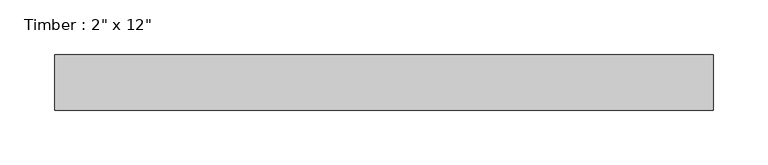
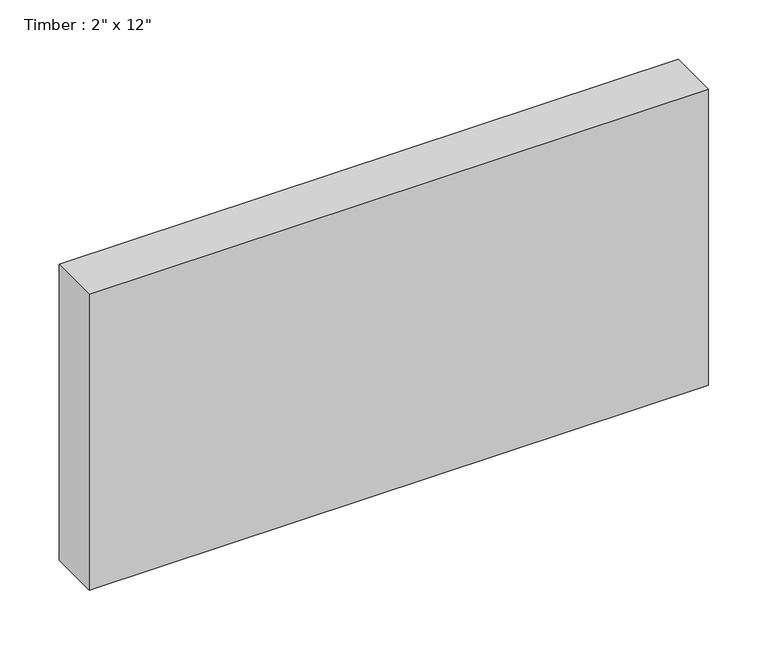
"""IFC4 building model written with IfcOpenShell, lengths in millimetres: beam geometry."""

from ifc_helpers import new_model, si_unit, frame, origin, place, context, project, spatial, polyline, outline, extrude, source, transform, mapped, element, save


def beam_99111a0f(model_context):
    return source(origin(), model_context, "Body", "SweptSolid", [
        extrude(outline(polyline([(301.625, 25.4), (301.625, -25.4), (-301.625, -25.4), (-301.625, 25.4), (301.625, 25.4)])), frame((0.0, 0.0, -152.4), z_axis=(0.0, 0.0, 1.0), x_axis=(1.0, 0.0, 0.0)), (0.0, 0.0, 1.0), 304.8),
    ])


if __name__ == "__main__":
    model = new_model("IFC4")
    model_context = context("Model", 3, world=origin())
    ifc_project = project(units=[si_unit("LENGTHUNIT", "METRE", prefix="MILLI")], contexts=[model_context])
    site = spatial("IfcSite", under=ifc_project)
    building = spatial("IfcBuilding", under=site)
    placement = place(None, origin())
    beam_shape = beam_99111a0f(model_context)
    element("IfcBeam", 1, ObjectType="Timber : 2\" x 12\"", at=placement, inside=building, context=model_context, shape_type="MappedRepresentation", body=[
        mapped(beam_shape, transform((0.0, 0.0, 0.0), x_axis=(1.0, 0.0, 0.0), y_axis=(0.0, 1.0, 0.0), z_axis=(0.0, 0.0, 1.0))),
    ])
    save(model, "model.ifc")
